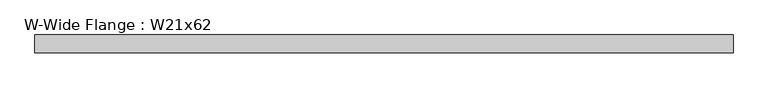
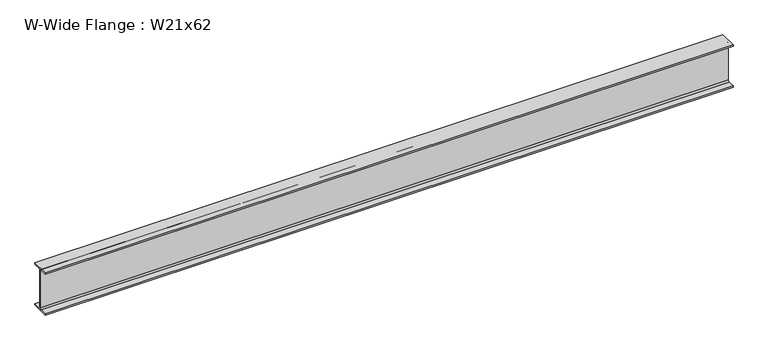
"""IFC4 building model written with IfcOpenShell, lengths in millimetres: beam geometry, W-Wide Flange : W21x62."""

from ifc_helpers import new_model, si_unit, point, frame, frame_2d, origin, place, context, project, spatial, polyline, circle_curve, trimmed, segment, composite_curve, outline, extrude, source, transform, mapped, element, save


def w_wide_flange_w21x62_d5f5c21f(model_context):
    return source(origin(), model_context, "Body", "SweptSolid", [
        extrude(outline(composite_curve([segment(polyline([(104.648, -251.079), (104.648, -266.7), (-104.648, -266.7), (-104.648, -251.079), (-22.7965, -251.079)]), True, "CONTINUOUS"), segment(trimmed(circle_curve(frame_2d((-22.7965, -233.3625)), 17.7165), [point((-22.7965, -251.079))], [point((-5.08, -233.3625))], True, "CARTESIAN"), True, "CONTINUOUS"), segment(polyline([(-5.08, -233.3625), (-5.08, 233.3625)]), True, "CONTINUOUS"), segment(trimmed(circle_curve(frame_2d((-22.7965, 233.3625)), 17.7165), [point((-5.08, 233.3625))], [point((-22.7965, 251.079))], True, "CARTESIAN"), True, "CONTINUOUS"), segment(polyline([(-22.7965, 251.079), (-104.648, 251.079), (-104.648, 266.7), (104.648, 266.7), (104.648, 251.079), (22.7965, 251.079)]), True, "CONTINUOUS"), segment(trimmed(circle_curve(frame_2d((22.7965, 233.3625)), 17.7165), [point((22.7965, 251.079))], [point((5.08, 233.3625))], True, "CARTESIAN"), True, "CONTINUOUS"), segment(polyline([(5.08, 233.3625), (5.08, -233.3625)]), True, "CONTINUOUS"), segment(trimmed(circle_curve(frame_2d((22.7965, -233.3625)), 17.7165), [point((5.08, -233.3625))], [point((22.7965, -251.079))], True, "CARTESIAN"), True, "CONTINUOUS"), segment(polyline([(22.7965, -251.079), (104.648, -251.079)]), True, "CONTINUOUS")], self_intersect=False)), frame((-4119.9747891, 0.0, 0.0), z_axis=(1.0, 0.0, 0.0), x_axis=(0.0, 1.0, 0.0)), (0.0, 0.0, 1.0), 8221.4130675),
    ])


if __name__ == "__main__":
    model = new_model("IFC4")
    model_context = context("Model", 3, world=origin())
    ifc_project = project(units=[si_unit("LENGTHUNIT", "METRE", prefix="MILLI")], contexts=[model_context])
    site = spatial("IfcSite", under=ifc_project)
    building = spatial("IfcBuilding", under=site)
    placement = place(None, origin())
    w_wide_flange_w21x62_shape = w_wide_flange_w21x62_d5f5c21f(model_context)
    element("IfcBeam", 1, ObjectType="W-Wide Flange : W21x62", at=placement, inside=building, context=model_context, shape_type="MappedRepresentation", body=[
        mapped(w_wide_flange_w21x62_shape, transform((0.0, 0.0, 0.0), x_axis=(1.0, 0.0, 0.0), y_axis=(0.0, 1.0, 0.0), z_axis=(0.0, 0.0, 1.0))),
    ])
    save(model, "model.ifc")
